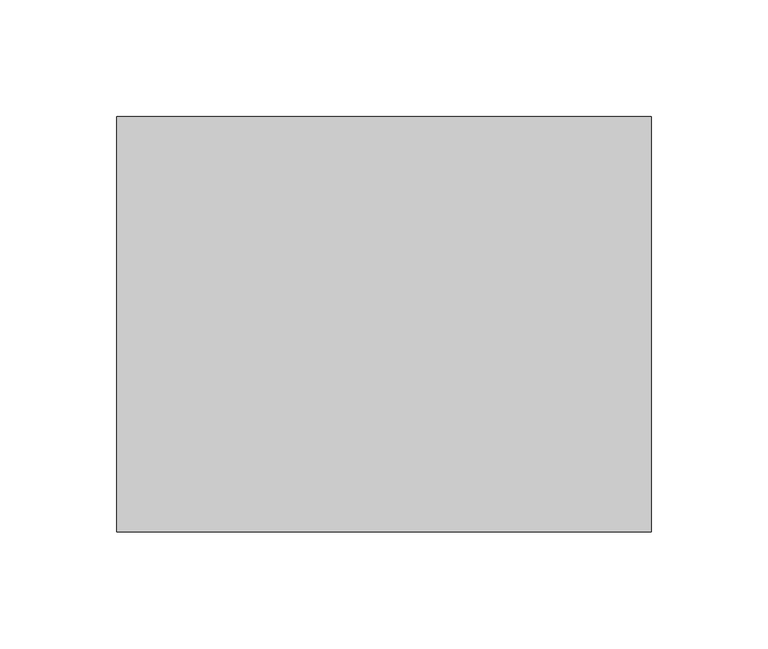
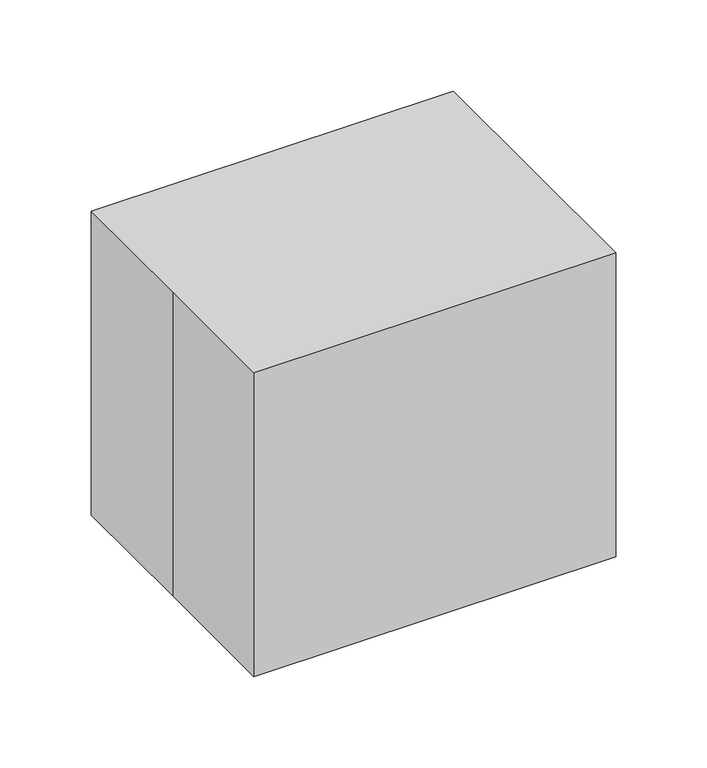
"""IFC4 building model written with IfcOpenShell, lengths in millimetres: proxy geometry."""

from ifc_helpers import new_model, si_unit, origin, origin_with_axes, place, context, project, spatial, polyline, outline, extrude, source, transform, mapped, element, save


def specialty_equipment_64738618(model_context):
    return source(origin(), model_context, "Body", "SweptSolid", [
        extrude(outline(polyline([(100.0405968, 75.9604898), (100.0405968, -76.4395102), (-103.1594032, -76.4395102), (-103.1594032, 75.9604898), (100.0405968, 75.9604898)])), origin_with_axes(), (0.0, 0.0, 1.0), 190.5),
        extrude(outline(polyline([(-114.3, 88.9), (114.3, 88.9), (114.3, -88.9), (-114.3, -88.9), (-114.3, 0.0), (-114.3, 88.9)])), origin_with_axes(), (0.0, 0.0, 1.0), 203.2),
    ])


if __name__ == "__main__":
    model = new_model("IFC4")
    model_context = context("Model", 3, world=origin())
    ifc_project = project(units=[si_unit("LENGTHUNIT", "METRE", prefix="MILLI")], contexts=[model_context])
    site = spatial("IfcSite", under=ifc_project)
    building = spatial("IfcBuilding", under=site)
    placement = place(None, origin())
    specialty_equipment_shape = specialty_equipment_64738618(model_context)
    element("IfcBuildingElementProxy", 1, Name="Specialty Equipment", at=placement, inside=building, context=model_context, shape_type="MappedRepresentation", body=[
        mapped(specialty_equipment_shape, transform((0.0, 0.0, 0.0), x_axis=(1.0, 0.0, 0.0), y_axis=(0.0, 1.0, 0.0), z_axis=(0.0, 0.0, 1.0))),
    ])
    save(model, "model.ifc")
